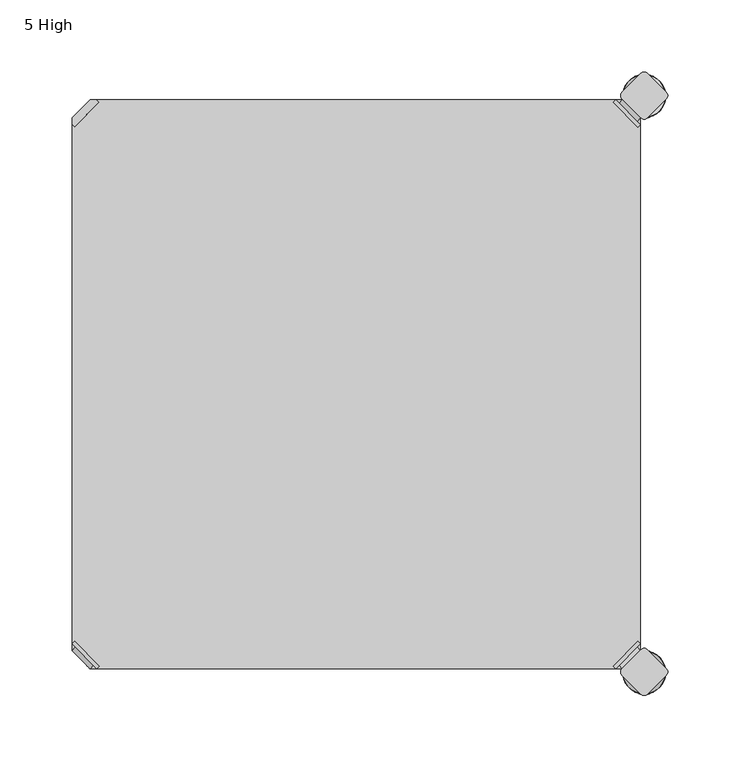
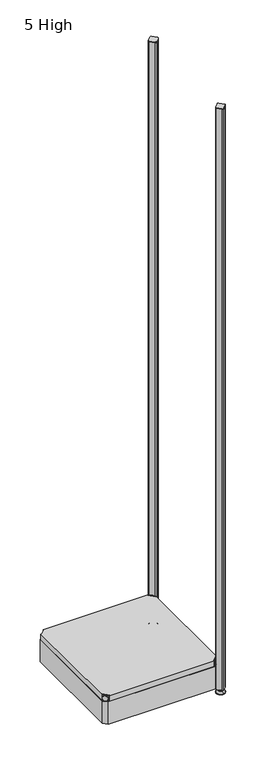
"""IFC4 building model written with IfcOpenShell, lengths in millimetres: furniture geometry, 5 High."""

from ifc_helpers import new_model, si_unit, point, frame, frame_2d, origin, place, context, project, spatial, polyline, circle_curve, ellipse_curve, trimmed, segment, composite_curve, outline, extrude, source, transform, mapped, element, save
from ifc_brep_helpers import plane_surface, cylinder_surface, revolved_surface, advanced_brep


def furniture_5_high_c1e7eaf8(model_context):
    return source(origin(), model_context, "Body", "SolidModel", [
        advanced_brep(
        [(397.51, 380.2870969, 118.9736), (380.2870969, 397.51, 118.9736), (378.4910456, 395.7139488, 118.9736), (395.7139488, 378.4910456, 118.9736), (397.51, 380.2870969, 97.6376), (380.2870969, 397.51, 97.6376), (395.1847277, 382.6123691, 108.8136), (382.6123691, 395.1847277, 108.8136), (369.7579478, 352.5350447, 98.6536), (395.7139488, 378.4910456, 98.6536), (378.4910456, 395.7139488, 98.6536), (352.5350447, 369.7579478, 98.6536), (369.7579478, 352.5350447, 97.6376), (352.5350447, 369.7579478, 97.6376), (384.9272487, 397.4996073, 108.8136), (397.4996073, 384.9272487, 108.8136)],
        [
            (0, 1),
            (1, 2),
            (2, 3),
            (3, 0),
            (0, 4),
            (4, 5),
            (5, 1),
            (6, 7, circle_curve(frame((388.8985484, 388.8985484, 108.8136), z_axis=(-0.7071067811865446, -0.7071067811865505, 0.0), x_axis=(0.7071067811865505, -0.7071067811865446, 0.0)), 8.89)),
            (7, 6, circle_curve(frame((388.8985484, 388.8985484, 108.8136), z_axis=(-0.7071067811865446, -0.7071067811865505, 0.0), x_axis=(0.7071067811865505, -0.7071067811865446, 0.0)), 8.89)),
            (8, 9),
            (9, 10),
            (10, 11),
            (11, 8, circle_curve(frame((361.1464963, 361.1464963, 98.6536), z_axis=(0.0, 0.0, 1.0), x_axis=(-1.0, 0.0, 0.0)), 12.1784316)),
            (12, 13, circle_curve(frame((361.1464963, 361.1464963, 97.6376), z_axis=(0.0, 0.0, -1.0), x_axis=(-1.0, 0.0, 0.0)), 12.1784316)),
            (13, 5),
            (4, 12),
            (14, 15, circle_curve(frame((391.213428, 391.213428, 108.8136), z_axis=(0.7071067811865446, 0.7071067811865505, 0.0), x_axis=(0.7071067811865505, -0.7071067811865446, 0.0)), 8.89)),
            (15, 14, circle_curve(frame((391.213428, 391.213428, 108.8136), z_axis=(0.7071067811865446, 0.7071067811865505, 0.0), x_axis=(0.7071067811865505, -0.7071067811865446, 0.0)), 8.89)),
            (15, 6),
            (7, 14),
            (2, 10),
            (9, 3),
            (11, 13),
            (12, 8),
        ],
        [
            plane_surface(frame((419.7079872, 402.485084, 118.9736), z_axis=(0.0, 0.0, 1.0000000000000002), x_axis=(-0.7071067811865436, -0.7071067811865516, 0.0))),
            plane_surface(frame((380.2870969, 397.51, 118.9736), z_axis=(0.7071067811865447, 0.7071067811865503, 0.0), x_axis=(0.0, 0.0, -1.0))),
            plane_surface(frame((348.9680647, 361.1464963, 98.6536), z_axis=(0.0, 0.0, 1.0), x_axis=(0.0, 1.0, 0.0))),
            plane_surface(frame((348.9680647, 361.1464963, 97.6376), z_axis=(0.0, 0.0, -1.0), x_axis=(0.0, -1.0, 0.0))),
            plane_surface(frame((397.4996073, 384.9272487, 108.8136), z_axis=(0.7071067811865446, 0.7071067811865505, 0.0), x_axis=(0.0, 0.0, 1.0))),
            cylinder_surface(frame((388.8985484, 388.8985484, 108.8136), z_axis=(0.7071067811865446, 0.7071067811865505, 0.0), x_axis=(0.7071067811865505, -0.7071067811865446, 0.0)), 8.89),
            plane_surface(frame((395.7139488, 378.4910456, 118.9736), z_axis=(-0.7071067811865447, -0.7071067811865503, 0.0), x_axis=(0.0, 0.0, -1.0))),
            cylinder_surface(frame((361.1464963, 361.1464963, 97.6376), z_axis=(0.0, 0.0, 1.0), x_axis=(-1.0, 0.0, 0.0)), 12.1784316),
            plane_surface(frame((397.51, 380.2870969, 118.9736), z_axis=(0.7071067811865516, -0.7071067811865436, 0.0), x_axis=(0.0, 0.0, -1.0))),
            plane_surface(frame((378.4910456, 395.7139488, 118.9736), z_axis=(-0.7071067811865513, 0.7071067811865437, 0.0), x_axis=(0.0, 0.0, -1.0))),
        ],
        [
            (0, [[1, 2, 3, 4]]),
            (1, [[5, 6, 7, -1], [8, 9]]),
            (2, [[10, 11, 12, 13]]),
            (3, [[14, 15, -6, 16]]),
            (4, [[17, 18]]),
            (5, [[19, -9, 20, -18]]),
            (5, [[-20, -8, -19, -17]]),
            (6, [[21, -11, 22, -3]]),
            (7, [[23, -14, 24, -13]]),
            (8, [[-22, -10, -24, -16, -5, -4]]),
            (9, [[-7, -15, -23, -12, -21, -2]]),
        ],
    ),
        advanced_brep(
        [(397.51, 19.7629031, 118.9736), (395.7139488, 21.5589544, 118.9736), (378.4910456, 4.3360512, 118.9736), (380.2870969, 2.54, 118.9736), (380.2870969, 2.54, 97.6376), (397.51, 19.7629031, 97.6376), (395.1847277, 17.4376309, 108.8136), (382.6123691, 4.8652723, 108.8136), (369.7579478, 47.5149553, 98.6536), (352.5350447, 30.2920522, 98.6536), (378.4910456, 4.3360512, 98.6536), (395.7139488, 21.5589544, 98.6536), (369.7579478, 47.5149553, 97.6376), (352.5350447, 30.2920522, 97.6376), (384.9272487, 2.5503927, 108.8136), (397.4996073, 15.1227513, 108.8136)],
        [
            (0, 1),
            (1, 2),
            (2, 3),
            (3, 0),
            (3, 4),
            (4, 5),
            (5, 0),
            (6, 7, circle_curve(frame((388.8985484, 11.1514516, 108.8136), z_axis=(-0.7071067811865469, 0.7071067811865481, 0.0), x_axis=(0.7071067811865481, 0.7071067811865469, 0.0)), 8.89)),
            (7, 6, circle_curve(frame((388.8985484, 11.1514516, 108.8136), z_axis=(-0.7071067811865469, 0.7071067811865481, 0.0), x_axis=(0.7071067811865481, 0.7071067811865469, 0.0)), 8.89)),
            (8, 9, circle_curve(frame((361.1464963, 38.9035037, 98.6536), z_axis=(0.0, 0.0, 1.0), x_axis=(-1.0, 0.0, 0.0)), 12.1784316)),
            (9, 10),
            (10, 11),
            (11, 8),
            (12, 5),
            (4, 13),
            (13, 12, circle_curve(frame((361.1464963, 38.9035037, 97.6376), z_axis=(0.0, 0.0, -1.0), x_axis=(-1.0, 0.0, 0.0)), 12.1784316)),
            (14, 15, circle_curve(frame((391.213428, 8.836572, 108.8136), z_axis=(0.7071067811865469, -0.7071067811865481, 0.0), x_axis=(0.7071067811865481, 0.7071067811865469, 0.0)), 8.89)),
            (15, 14, circle_curve(frame((391.213428, 8.836572, 108.8136), z_axis=(0.7071067811865469, -0.7071067811865481, 0.0), x_axis=(0.7071067811865481, 0.7071067811865469, 0.0)), 8.89)),
            (14, 7),
            (6, 15),
            (1, 11),
            (10, 2),
            (8, 12),
            (13, 9),
        ],
        [
            plane_surface(frame((419.7079872, -2.435084, 118.9736), z_axis=(0.0, 0.0, 1.0000000000000002), x_axis=(-0.7071067811865459, 0.7071067811865492, 0.0))),
            plane_surface(frame((380.2870969, 2.54, 118.9736), z_axis=(0.707106781186547, -0.707106781186548, 0.0), x_axis=(0.0, 0.0, -1.0))),
            plane_surface(frame((348.9680647, 38.9035037, 98.6536), z_axis=(0.0, 0.0, 1.0), x_axis=(0.0, -1.0, 0.0))),
            plane_surface(frame((348.9680647, 38.9035037, 97.6376), z_axis=(0.0, 0.0, -1.0), x_axis=(0.0, 1.0, 0.0))),
            plane_surface(frame((397.4996073, 15.1227513, 108.8136), z_axis=(0.7071067811865469, -0.7071067811865481, 0.0), x_axis=(0.0, 0.0, 1.0))),
            cylinder_surface(frame((388.8985484, 11.1514516, 108.8136), z_axis=(0.7071067811865469, -0.7071067811865481, 0.0), x_axis=(0.7071067811865481, 0.7071067811865469, 0.0)), 8.89),
            plane_surface(frame((395.7139488, 21.5589544, 118.9736), z_axis=(-0.707106781186547, 0.707106781186548, 0.0), x_axis=(0.0, 0.0, -1.0))),
            cylinder_surface(frame((361.1464963, 38.9035037, 97.6376), z_axis=(0.0, 0.0, 1.0), x_axis=(-1.0, 0.0, 0.0)), 12.1784316),
            plane_surface(frame((397.51, 19.7629031, 118.9736), z_axis=(0.7071067811865492, 0.7071067811865459, 0.0), x_axis=(0.0, 0.0, -1.0))),
            plane_surface(frame((378.4910456, 4.3360512, 118.9736), z_axis=(-0.707106781186549, -0.707106781186546, 0.0), x_axis=(0.0, 0.0, -1.0))),
        ],
        [
            (0, [[1, 2, 3, 4]]),
            (1, [[-4, 5, 6, 7], [8, 9]]),
            (2, [[10, 11, 12, 13]]),
            (3, [[14, -6, 15, 16]]),
            (4, [[17, 18]]),
            (5, [[-17, 19, -8, 20]]),
            (5, [[-18, -20, -9, -19]]),
            (6, [[-2, 21, -12, 22]]),
            (7, [[-10, 23, -16, 24]]),
            (8, [[-1, -7, -14, -23, -13, -21]]),
            (9, [[-3, -22, -11, -24, -15, -5]]),
        ],
    ),
        advanced_brep(
        [(2.54, 19.7629031, 118.9736), (19.7629031, 2.54, 118.9736), (21.5589544, 4.3360512, 118.9736), (4.3360512, 21.5589544, 118.9736), (2.54, 19.7629031, 97.6376), (19.7629031, 2.54, 97.6376), (4.8652723, 17.4376309, 108.8136), (17.4376309, 4.8652723, 108.8136), (30.2920522, 47.5149553, 98.6536), (4.3360512, 21.5589544, 98.6536), (21.5589544, 4.3360512, 98.6536), (47.5149553, 30.2920522, 98.6536), (30.2920522, 47.5149553, 97.6376), (47.5149553, 30.2920522, 97.6376), (15.1227513, 2.5503927, 108.8136), (2.5503927, 15.1227513, 108.8136)],
        [
            (0, 1),
            (1, 2),
            (2, 3),
            (3, 0),
            (0, 4),
            (4, 5),
            (5, 1),
            (6, 7, circle_curve(frame((11.1514516, 11.1514516, 108.8136), z_axis=(0.7071067811865469, 0.7071067811865481, 0.0), x_axis=(-0.7071067811865481, 0.7071067811865469, 0.0)), 8.89)),
            (7, 6, circle_curve(frame((11.1514516, 11.1514516, 108.8136), z_axis=(0.7071067811865469, 0.7071067811865481, 0.0), x_axis=(-0.7071067811865481, 0.7071067811865469, 0.0)), 8.89)),
            (8, 9),
            (9, 10),
            (10, 11),
            (11, 8, circle_curve(frame((38.9035037, 38.9035037, 98.6536), z_axis=(0.0, 0.0, 1.0), x_axis=(1.0, 0.0, 0.0)), 12.1784316)),
            (12, 13, circle_curve(frame((38.9035037, 38.9035037, 97.6376), z_axis=(0.0, 0.0, -1.0), x_axis=(1.0, 0.0, 0.0)), 12.1784316)),
            (13, 5),
            (4, 12),
            (14, 15, circle_curve(frame((8.836572, 8.836572, 108.8136), z_axis=(-0.7071067811865469, -0.7071067811865481, 0.0), x_axis=(-0.7071067811865481, 0.7071067811865469, 0.0)), 8.89)),
            (15, 14, circle_curve(frame((8.836572, 8.836572, 108.8136), z_axis=(-0.7071067811865469, -0.7071067811865481, 0.0), x_axis=(-0.7071067811865481, 0.7071067811865469, 0.0)), 8.89)),
            (15, 6),
            (7, 14),
            (2, 10),
            (9, 3),
            (11, 13),
            (12, 8),
        ],
        [
            plane_surface(frame((-19.6579872, -2.435084, 118.9736), z_axis=(0.0, 0.0, 1.0000000000000002), x_axis=(0.7071067811865459, 0.7071067811865492, 0.0))),
            plane_surface(frame((19.7629031, 2.54, 118.9736), z_axis=(-0.707106781186547, -0.707106781186548, 0.0), x_axis=(0.0, 0.0, -1.0))),
            plane_surface(frame((51.0819353, 38.9035037, 98.6536), z_axis=(0.0, 0.0, 1.0), x_axis=(0.0, -1.0, 0.0))),
            plane_surface(frame((51.0819353, 38.9035037, 97.6376), z_axis=(0.0, 0.0, -1.0), x_axis=(0.0, 1.0, 0.0))),
            plane_surface(frame((2.5503927, 15.1227513, 108.8136), z_axis=(-0.7071067811865469, -0.7071067811865481, 0.0), x_axis=(0.0, 0.0, 1.0))),
            cylinder_surface(frame((11.1514516, 11.1514516, 108.8136), z_axis=(-0.7071067811865469, -0.7071067811865481, 0.0), x_axis=(-0.7071067811865481, 0.7071067811865469, 0.0)), 8.89),
            plane_surface(frame((4.3360512, 21.5589544, 118.9736), z_axis=(0.707106781186547, 0.707106781186548, 0.0), x_axis=(0.0, 0.0, -1.0))),
            cylinder_surface(frame((38.9035037, 38.9035037, 97.6376), z_axis=(0.0, 0.0, 1.0), x_axis=(1.0, 0.0, 0.0)), 12.1784316),
            plane_surface(frame((2.54, 19.7629031, 118.9736), z_axis=(-0.7071067811865492, 0.7071067811865459, 0.0), x_axis=(0.0, 0.0, -1.0))),
            plane_surface(frame((21.5589544, 4.3360512, 118.9736), z_axis=(0.707106781186549, -0.707106781186546, 0.0), x_axis=(0.0, 0.0, -1.0))),
        ],
        [
            (0, [[1, 2, 3, 4]]),
            (1, [[5, 6, 7, -1], [8, 9]]),
            (2, [[10, 11, 12, 13]]),
            (3, [[14, 15, -6, 16]]),
            (4, [[17, 18]]),
            (5, [[19, -9, 20, -18]]),
            (5, [[-20, -8, -19, -17]]),
            (6, [[21, -11, 22, -3]]),
            (7, [[23, -14, 24, -13]]),
            (8, [[-22, -10, -24, -16, -5, -4]]),
            (9, [[-7, -15, -23, -12, -21, -2]]),
        ],
    ),
        extrude(outline(polyline([(19.7629031, 2.54), (21.5589544, 4.3360512), (4.3360512, 21.5589544), (2.54, 19.7629031), (2.54, 380.2870969), (4.3360512, 378.4910456), (21.5589544, 395.7139488), (19.7629031, 397.51), (380.2870969, 397.51), (378.4910456, 395.7139488), (395.7139488, 378.4910456), (397.51, 380.2870969), (397.51, 19.7629031), (395.7139488, 21.5589544), (378.4910456, 4.3360512), (380.2870969, 2.54), (19.7629031, 2.54)])), frame((0.0, 0.0, 98.6536), z_axis=(0.0, 0.0, 1.0), x_axis=(1.0, 0.0, 0.0)), (0.0, 0.0, 1.0), 20.32),
        extrude(outline(composite_curve([segment(polyline([(402.295064, 15.4326055), (415.4826055, 2.245064)]), True, "CONTINUOUS"), segment(trimmed(circle_curve(frame_2d((413.2375415, 0.0)), 3.175), [point((415.4826055, 2.245064))], [point((415.4826055, -2.245064))], False, "CARTESIAN"), True, "CONTINUOUS"), segment(polyline([(415.4826055, -2.245064), (402.295064, -15.4326055)]), True, "CONTINUOUS"), segment(trimmed(circle_curve(frame_2d((400.05, -13.1875415)), 3.175), [point((402.295064, -15.4326055))], [point((397.804936, -15.4326055))], False, "CARTESIAN"), True, "CONTINUOUS"), segment(polyline([(397.804936, -15.4326055), (384.6173945, -2.245064)]), True, "CONTINUOUS"), segment(trimmed(circle_curve(frame_2d((386.8624585, 0.0)), 3.175), [point((384.6173945, -2.245064))], [point((384.6173945, 2.245064))], False, "CARTESIAN"), True, "CONTINUOUS"), segment(polyline([(384.6173945, 2.245064), (397.804936, 15.4326055)]), True, "CONTINUOUS"), segment(trimmed(circle_curve(frame_2d((400.05, 13.1875415)), 3.175), [point((397.804936, 15.4326055))], [point((402.295064, 15.4326055))], False, "CARTESIAN"), True, "CONTINUOUS")], self_intersect=False)), frame((0.0, 0.0, 2127.25), z_axis=(0.0, 0.0, 1.0), x_axis=(1.0, 0.0, 0.0)), (0.0, 0.0, 1.0), 2.032),
        extrude(outline(composite_curve([segment(trimmed(circle_curve(frame_2d((400.05, 386.8624585)), 3.175), [point((402.295064, 384.6173945))], [point((397.804936, 384.6173945))], False, "CARTESIAN"), True, "CONTINUOUS"), segment(polyline([(397.804936, 384.6173945), (384.6173945, 397.804936)]), True, "CONTINUOUS"), segment(trimmed(circle_curve(frame_2d((386.8624585, 400.05)), 3.175), [point((384.6173945, 397.804936))], [point((384.6173945, 402.295064))], False, "CARTESIAN"), True, "CONTINUOUS"), segment(polyline([(384.6173945, 402.295064), (397.804936, 415.4826055)]), True, "CONTINUOUS"), segment(trimmed(circle_curve(frame_2d((400.05, 413.2375415)), 3.175), [point((397.804936, 415.4826055))], [point((402.295064, 415.4826055))], False, "CARTESIAN"), True, "CONTINUOUS"), segment(polyline([(402.295064, 415.4826055), (415.4826055, 402.295064)]), True, "CONTINUOUS"), segment(trimmed(circle_curve(frame_2d((413.2375415, 400.05)), 3.175), [point((415.4826055, 402.295064))], [point((415.4826055, 397.804936))], False, "CARTESIAN"), True, "CONTINUOUS"), segment(polyline([(415.4826055, 397.804936), (402.295064, 384.6173945)]), True, "CONTINUOUS")], self_intersect=False)), frame((0.0, 0.0, 2127.25), z_axis=(0.0, 0.0, 1.0), x_axis=(1.0, 0.0, 0.0)), (0.0, 0.0, 1.0), 2.032),
        extrude(outline(polyline([(2.54, 384.9123305), (15.1376695, 397.51), (384.9123305, 397.51), (397.51, 384.9123305), (397.51, 15.1376695), (384.9123305, 2.54), (15.1376695, 2.54), (2.54, 15.1376695), (2.54, 384.9123305)]), holes=[polyline([(12.7, 15.748), (387.35, 15.748), (387.35, 387.35), (12.7, 387.35), (12.7, 15.748)])]), frame((0.0, 0.0, 15.9766), z_axis=(0.0, 0.0, 1.0), x_axis=(1.0, 0.0, 0.0)), (0.0, 0.0, 1.0), 81.28),
        advanced_brep(
        [(400.05, -3.999659, 15.9766), (400.05, 0.0, 15.9766), (400.05, 3.999659, 15.9766), (400.05, -3.999659, 12.6000054), (400.05, 3.999659, 12.6000054), (400.05, -5.8601455, 12.6000054), (400.05, 5.8601455, 12.6000054), (400.05, -6.4951462, 11.9650074), (400.05, 6.4951462, 11.9650074), (400.05, -6.4951462, 9.0000124), (400.05, 6.4951462, 9.0000124), (400.05, -8.7421976, 9.0000124), (400.05, 8.7421976, 9.0000124), (400.05, -14.7060077, 2.3275608), (400.05, 14.7060077, 2.3275608), (400.05, -13.664601, 0.0), (400.05, 13.664601, 0.0), (400.05, 0.0, 0.0)],
        [
            (0, 1),
            (1, 2),
            (2, 0, circle_curve(frame((400.05, 0.0, 15.9766), z_axis=(0.0, 0.0, 1.0), x_axis=(0.0, 1.0, 0.0)), 3.999659)),
            (0, 2, circle_curve(frame((400.05, 0.0, 15.9766), z_axis=(0.0, 0.0, 1.0), x_axis=(0.0, 1.0, 0.0)), 3.999659)),
            (3, 0),
            (2, 4),
            (4, 3, circle_curve(frame((400.05, 0.0, 12.6000054), z_axis=(0.0, 0.0, 1.0), x_axis=(0.0, 1.0, 0.0)), 3.999659)),
            (3, 4, circle_curve(frame((400.05, 0.0, 12.6000054), z_axis=(0.0, 0.0, 1.0), x_axis=(0.0, 1.0, 0.0)), 3.999659)),
            (5, 3),
            (4, 6),
            (6, 5, circle_curve(frame((400.05, 0.0, 12.6000054), z_axis=(0.0, 0.0, 1.0), x_axis=(0.0, 1.0, 0.0)), 5.8601455)),
            (5, 6, circle_curve(frame((400.05, 0.0, 12.6000054), z_axis=(0.0, 0.0, 1.0), x_axis=(0.0, 1.0, 0.0)), 5.8601455)),
            (7, 5, circle_curve(frame((400.05, -5.8601462, 11.9650074), z_axis=(-1.0, 0.0, 0.0), x_axis=(0.0, -1.0, 0.0)), 0.635)),
            (6, 8, circle_curve(frame((400.05, 5.8601462, 11.9650074), z_axis=(-1.0, 0.0, 0.0), x_axis=(0.0, 1.0, 0.0)), 0.635)),
            (8, 7, circle_curve(frame((400.05, 0.0, 11.9650074), z_axis=(0.0, 0.0, 1.0), x_axis=(0.0, 1.0, 0.0)), 6.4951462)),
            (7, 8, circle_curve(frame((400.05, 0.0, 11.9650074), z_axis=(0.0, 0.0, 1.0), x_axis=(0.0, 1.0, 0.0)), 6.4951462)),
            (9, 7),
            (8, 10),
            (10, 9, circle_curve(frame((400.05, 0.0, 9.0000124), z_axis=(0.0, 0.0, 1.0), x_axis=(0.0, 1.0, 0.0)), 6.4951462)),
            (9, 10, circle_curve(frame((400.05, 0.0, 9.0000124), z_axis=(0.0, 0.0, 1.0), x_axis=(0.0, 1.0, 0.0)), 6.4951462)),
            (11, 9),
            (10, 12),
            (12, 11, circle_curve(frame((400.05, 0.0, 9.0000124), z_axis=(0.0, 0.0, 1.0), x_axis=(0.0, 1.0, 0.0)), 8.7421976)),
            (11, 12, circle_curve(frame((400.05, 0.0, 9.0000124), z_axis=(0.0, 0.0, 1.0), x_axis=(0.0, 1.0, 0.0)), 8.7421976)),
            (13, 11),
            (12, 14),
            (14, 13, circle_curve(frame((400.05, 0.0, 2.3275608), z_axis=(0.0, 0.0, 1.0), x_axis=(0.0, 1.0, 0.0)), 14.7060077)),
            (13, 14, circle_curve(frame((400.05, 0.0, 2.3275608), z_axis=(0.0, 0.0, 1.0), x_axis=(0.0, 1.0, 0.0)), 14.7060077)),
            (15, 13, circle_curve(frame((400.05, -13.664601, 1.3967556), z_axis=(-1.0, 0.0, 0.0), x_axis=(0.0, -1.0, 0.0)), 1.3967556)),
            (14, 16, circle_curve(frame((400.05, 13.664601, 1.3967556), z_axis=(-1.0, 0.0, 0.0), x_axis=(0.0, 1.0, 0.0)), 1.3967556)),
            (16, 15, circle_curve(frame((400.05, 0.0, 0.0), z_axis=(0.0, 0.0, 1.0), x_axis=(0.0, 1.0, 0.0)), 13.664601)),
            (15, 16, circle_curve(frame((400.05, 0.0, 0.0), z_axis=(0.0, 0.0, 1.0), x_axis=(0.0, 1.0, 0.0)), 13.664601)),
            (17, 15),
            (16, 17),
        ],
        [
            plane_surface(frame((400.05, 0.0, 15.9766), z_axis=(0.0, 0.0, 1.0), x_axis=(0.0, 1.0, 0.0))),
            cylinder_surface(frame((400.05, 0.0, -4.132372), z_axis=(0.0, 0.0, -1.0), x_axis=(0.0, 1.0, 0.0)), 3.999659),
            plane_surface(frame((400.05, 0.0, 12.6000054), z_axis=(0.0, 0.0, 1.0), x_axis=(0.0, 1.0, 0.0))),
            revolved_surface(trimmed(ellipse_curve(frame((400.05, 5.8601462, 11.9650074), z_axis=(-1.0, 0.0, 0.0), x_axis=(0.0, 1.0, 0.0)), 0.635, 0.635), [point((400.05, 5.8601455, 12.6000074))], [point((400.05, 6.4951462, 11.9650074))], True, "CARTESIAN"), (400.05, 0.0, -4.132372), (0.0, 0.0, -1.0)),
            cylinder_surface(frame((400.05, 0.0, -4.132372), z_axis=(0.0, 0.0, -1.0), x_axis=(0.0, 1.0, 0.0)), 6.4951462),
            plane_surface(frame((400.05, 0.0, 9.0000124), z_axis=(0.0, 0.0, 1.0), x_axis=(0.0, 1.0, 0.0))),
            revolved_surface(polyline([(400.05, 8.7421976, 9.0000124), (400.05, 14.7060077, 2.3275608)]), (400.05, 0.0, -4.132372), (0.0, 0.0, -1.0)),
            revolved_surface(trimmed(ellipse_curve(frame((400.05, 13.664601, 1.3967556), z_axis=(-1.0, 0.0, 0.0), x_axis=(0.0, 1.0, 0.0)), 1.3967556, 1.3967556), [point((400.05, 14.7060077, 2.3275608))], [point((400.05, 13.664601, 0.0))], True, "CARTESIAN"), (400.05, 0.0, -4.132372), (0.0, 0.0, -1.0)),
            plane_surface(frame((400.05, 0.0, 0.0), z_axis=(0.0, 0.0, -1.0), x_axis=(0.0, 1.0, 0.0))),
        ],
        [
            (0, [[1, 2, 3]]),
            (0, [[-2, -1, 4]]),
            (1, [[5, -3, 6, 7]]),
            (1, [[-6, -4, -5, 8]]),
            (2, [[9, -7, 10, 11]]),
            (2, [[-10, -8, -9, 12]]),
            (3, [[13, -11, 14, 15]]),
            (3, [[-14, -12, -13, 16]]),
            (4, [[17, -15, 18, 19]]),
            (4, [[-18, -16, -17, 20]]),
            (5, [[21, -19, 22, 23]]),
            (5, [[-22, -20, -21, 24]]),
            (6, [[25, -23, 26, 27]]),
            (6, [[-26, -24, -25, 28]]),
            (7, [[29, -27, 30, 31]]),
            (7, [[-30, -28, -29, 32]]),
            (8, [[33, -31, 34]]),
            (8, [[-34, -32, -33]]),
        ],
    ),
        advanced_brep(
        [(400.05, 400.05, 15.9766), (400.05, 404.049659, 15.9766), (400.05, 396.050341, 15.9766), (400.05, 404.049659, 12.6000054), (400.05, 396.050341, 12.6000054), (400.05, 405.9101455, 12.6000074), (400.05, 394.1898545, 12.6000074), (400.05, 406.5451462, 11.9650074), (400.05, 393.5548538, 11.9650074), (400.05, 406.5451462, 9.0000124), (400.05, 393.5548538, 9.0000124), (400.05, 408.7921976, 9.0000124), (400.05, 391.3078024, 9.0000124), (400.05, 414.7560077, 2.3275608), (400.05, 385.3439923, 2.3275608), (400.05, 413.714601, 0.0), (400.05, 386.385399, 0.0), (400.05, 400.05, 0.0)],
        [
            (0, 1),
            (1, 2, circle_curve(frame((400.05, 400.05, 15.9766), z_axis=(0.0, 0.0, 1.0), x_axis=(0.0, -1.0, 0.0)), 3.999659)),
            (2, 0),
            (2, 1, circle_curve(frame((400.05, 400.05, 15.9766), z_axis=(0.0, 0.0, 1.0), x_axis=(0.0, -1.0, 0.0)), 3.999659)),
            (1, 3),
            (3, 4, circle_curve(frame((400.05, 400.05, 12.6000054), z_axis=(0.0, 0.0, 1.0), x_axis=(0.0, -1.0, 0.0)), 3.999659)),
            (4, 2),
            (4, 3, circle_curve(frame((400.05, 400.05, 12.6000054), z_axis=(0.0, 0.0, 1.0), x_axis=(0.0, -1.0, 0.0)), 3.999659)),
            (3, 5),
            (5, 6, circle_curve(frame((400.05, 400.05, 12.6000074), z_axis=(0.0, 0.0, 1.0), x_axis=(0.0, -1.0, 0.0)), 5.8601455)),
            (6, 4),
            (6, 5, circle_curve(frame((400.05, 400.05, 12.6000074), z_axis=(0.0, 0.0, 1.0), x_axis=(0.0, -1.0, 0.0)), 5.8601455)),
            (5, 7, circle_curve(frame((400.05, 405.9101462, 11.9650074), z_axis=(-1.0, 0.0, 0.0), x_axis=(0.0, 1.0, 0.0)), 0.635)),
            (7, 8, circle_curve(frame((400.05, 400.05, 11.9650074), z_axis=(0.0, 0.0, 1.0), x_axis=(0.0, -1.0, 0.0)), 6.4951462)),
            (8, 6, circle_curve(frame((400.05, 394.1898538, 11.9650074), z_axis=(-1.0, 0.0, 0.0), x_axis=(0.0, -1.0, 0.0)), 0.635)),
            (8, 7, circle_curve(frame((400.05, 400.05, 11.9650074), z_axis=(0.0, 0.0, 1.0), x_axis=(0.0, -1.0, 0.0)), 6.4951462)),
            (7, 9),
            (9, 10, circle_curve(frame((400.05, 400.05, 9.0000124), z_axis=(0.0, 0.0, 1.0), x_axis=(0.0, -1.0, 0.0)), 6.4951462)),
            (10, 8),
            (10, 9, circle_curve(frame((400.05, 400.05, 9.0000124), z_axis=(0.0, 0.0, 1.0), x_axis=(0.0, -1.0, 0.0)), 6.4951462)),
            (9, 11),
            (11, 12, circle_curve(frame((400.05, 400.05, 9.0000124), z_axis=(0.0, 0.0, 1.0), x_axis=(0.0, -1.0, 0.0)), 8.7421976)),
            (12, 10),
            (12, 11, circle_curve(frame((400.05, 400.05, 9.0000124), z_axis=(0.0, 0.0, 1.0), x_axis=(0.0, -1.0, 0.0)), 8.7421976)),
            (11, 13),
            (13, 14, circle_curve(frame((400.05, 400.05, 2.3275608), z_axis=(0.0, 0.0, 1.0), x_axis=(0.0, -1.0, 0.0)), 14.7060077)),
            (14, 12),
            (14, 13, circle_curve(frame((400.05, 400.05, 2.3275608), z_axis=(0.0, 0.0, 1.0), x_axis=(0.0, -1.0, 0.0)), 14.7060077)),
            (13, 15, circle_curve(frame((400.05, 413.714601, 1.3967556), z_axis=(-1.0, 0.0, 0.0), x_axis=(0.0, 1.0, 0.0)), 1.3967556)),
            (15, 16, circle_curve(frame((400.05, 400.05, 0.0), z_axis=(0.0, 0.0, 1.0), x_axis=(0.0, -1.0, 0.0)), 13.664601)),
            (16, 14, circle_curve(frame((400.05, 386.385399, 1.3967556), z_axis=(-1.0, 0.0, 0.0), x_axis=(0.0, -1.0, 0.0)), 1.3967556)),
            (16, 15, circle_curve(frame((400.05, 400.05, 0.0), z_axis=(0.0, 0.0, 1.0), x_axis=(0.0, -1.0, 0.0)), 13.664601)),
            (15, 17),
            (17, 16),
        ],
        [
            plane_surface(frame((400.05, 400.05, 15.9766), z_axis=(0.0, 0.0, 1.0), x_axis=(0.0, -1.0, 0.0))),
            cylinder_surface(frame((400.05, 400.05, -4.132372), z_axis=(0.0, 0.0, 1.0), x_axis=(0.0, -1.0, 0.0)), 3.999659),
            plane_surface(frame((400.05, 400.05, 12.6000074), z_axis=(0.0, 0.0, 1.0), x_axis=(0.0, -1.0, 0.0))),
            revolved_surface(trimmed(ellipse_curve(frame((400.05, 394.1898538, 11.9650074), z_axis=(-1.0, 0.0, 0.0), x_axis=(0.0, -1.0, 0.0)), 0.635, 0.635), [point((400.05, 393.5548538, 11.9650074))], [point((400.05, 394.1898545, 12.6000074))], True, "CARTESIAN"), (400.05, 400.05, -4.132372), (0.0, 0.0, 1.0)),
            cylinder_surface(frame((400.05, 400.05, -4.132372), z_axis=(0.0, 0.0, 1.0), x_axis=(0.0, -1.0, 0.0)), 6.4951462),
            plane_surface(frame((400.05, 400.05, 9.0000124), z_axis=(0.0, 0.0, 1.0), x_axis=(0.0, -1.0, 0.0))),
            revolved_surface(polyline([(400.05, 385.3439923, 2.3275608), (400.05, 391.3078024, 9.0000124)]), (400.05, 400.05, -4.132372), (0.0, 0.0, 1.0)),
            revolved_surface(trimmed(ellipse_curve(frame((400.05, 386.385399, 1.3967556), z_axis=(-1.0, 0.0, 0.0), x_axis=(0.0, -1.0, 0.0)), 1.3967556, 1.3967556), [point((400.05, 386.385399, 0.0))], [point((400.05, 385.3439923, 2.3275608))], True, "CARTESIAN"), (400.05, 400.05, -4.132372), (0.0, 0.0, 1.0)),
            plane_surface(frame((400.05, 400.05, 0.0), z_axis=(0.0, 0.0, -1.0), x_axis=(0.0, -1.0, 0.0))),
        ],
        [
            (0, [[1, 2, 3]]),
            (0, [[-3, 4, -1]]),
            (1, [[5, 6, 7, -2]]),
            (1, [[-7, 8, -5, -4]]),
            (2, [[9, 10, 11, -6]]),
            (2, [[-11, 12, -9, -8]]),
            (3, [[13, 14, 15, -10]]),
            (3, [[-15, 16, -13, -12]]),
            (4, [[17, 18, 19, -14]]),
            (4, [[-19, 20, -17, -16]]),
            (5, [[21, 22, 23, -18]]),
            (5, [[-23, 24, -21, -20]]),
            (6, [[25, 26, 27, -22]]),
            (6, [[-27, 28, -25, -24]]),
            (7, [[29, 30, 31, -26]]),
            (7, [[-31, 32, -29, -28]]),
            (8, [[33, 34, -30]]),
            (8, [[-34, -33, -32]]),
        ],
    ),
        extrude(outline(composite_curve([segment(polyline([(402.295064, 15.4326055), (415.4826055, 2.245064)]), True, "CONTINUOUS"), segment(trimmed(circle_curve(frame_2d((413.2375415, 0.0)), 3.175), [point((415.4826055, 2.245064))], [point((415.4826055, -2.245064))], False, "CARTESIAN"), True, "CONTINUOUS"), segment(polyline([(415.4826055, -2.245064), (402.295064, -15.4326055)]), True, "CONTINUOUS"), segment(trimmed(circle_curve(frame_2d((400.05, -13.1875415)), 3.175), [point((402.295064, -15.4326055))], [point((397.804936, -15.4326055))], False, "CARTESIAN"), True, "CONTINUOUS"), segment(polyline([(397.804936, -15.4326055), (384.6173945, -2.245064)]), True, "CONTINUOUS"), segment(trimmed(circle_curve(frame_2d((386.8624585, 0.0)), 3.175), [point((384.6173945, -2.245064))], [point((384.6173945, 2.245064))], False, "CARTESIAN"), True, "CONTINUOUS"), segment(polyline([(384.6173945, 2.245064), (397.804936, 15.4326055)]), True, "CONTINUOUS"), segment(trimmed(circle_curve(frame_2d((400.05, 13.1875415)), 3.175), [point((397.804936, 15.4326055))], [point((402.295064, 15.4326055))], False, "CARTESIAN"), True, "CONTINUOUS")], self_intersect=False)), frame((0.0, 0.0, 15.9766), z_axis=(0.0, 0.0, 1.0), x_axis=(1.0, 0.0, 0.0)), (0.0, 0.0, 1.0), 2111.2734),
        extrude(outline(composite_curve([segment(trimmed(circle_curve(frame_2d((400.05, 386.8624585)), 3.175), [point((402.295064, 384.6173945))], [point((397.804936, 384.6173945))], False, "CARTESIAN"), True, "CONTINUOUS"), segment(polyline([(397.804936, 384.6173945), (384.6173945, 397.804936)]), True, "CONTINUOUS"), segment(trimmed(circle_curve(frame_2d((386.8624585, 400.05)), 3.175), [point((384.6173945, 397.804936))], [point((384.6173945, 402.295064))], False, "CARTESIAN"), True, "CONTINUOUS"), segment(polyline([(384.6173945, 402.295064), (397.804936, 415.4826055)]), True, "CONTINUOUS"), segment(trimmed(circle_curve(frame_2d((400.05, 413.2375415)), 3.175), [point((397.804936, 415.4826055))], [point((402.295064, 415.4826055))], False, "CARTESIAN"), True, "CONTINUOUS"), segment(polyline([(402.295064, 415.4826055), (415.4826055, 402.295064)]), True, "CONTINUOUS"), segment(trimmed(circle_curve(frame_2d((413.2375415, 400.05)), 3.175), [point((415.4826055, 402.295064))], [point((415.4826055, 397.804936))], False, "CARTESIAN"), True, "CONTINUOUS"), segment(polyline([(415.4826055, 397.804936), (402.295064, 384.6173945)]), True, "CONTINUOUS")], self_intersect=False)), frame((0.0, 0.0, 15.9766), z_axis=(0.0, 0.0, 1.0), x_axis=(1.0, 0.0, 0.0)), (0.0, 0.0, 1.0), 2111.2734),
    ])


if __name__ == "__main__":
    model = new_model("IFC4")
    model_context = context("Model", 3, world=origin())
    ifc_project = project(units=[si_unit("LENGTHUNIT", "METRE", prefix="MILLI")], contexts=[model_context])
    site = spatial("IfcSite", under=ifc_project)
    building = spatial("IfcBuilding", under=site)
    placement = place(None, origin())
    furniture_5_high_shape = furniture_5_high_c1e7eaf8(model_context)
    element("IfcFurniture", 1, ObjectType="5 High", at=placement, inside=building, context=model_context, shape_type="MappedRepresentation", body=[
        mapped(furniture_5_high_shape, transform((0.0, 0.0, 0.0), x_axis=(1.0, 0.0, 0.0), y_axis=(0.0, 1.0, 0.0), z_axis=(0.0, 0.0, 1.0))),
    ])
    save(model, "model.ifc")
